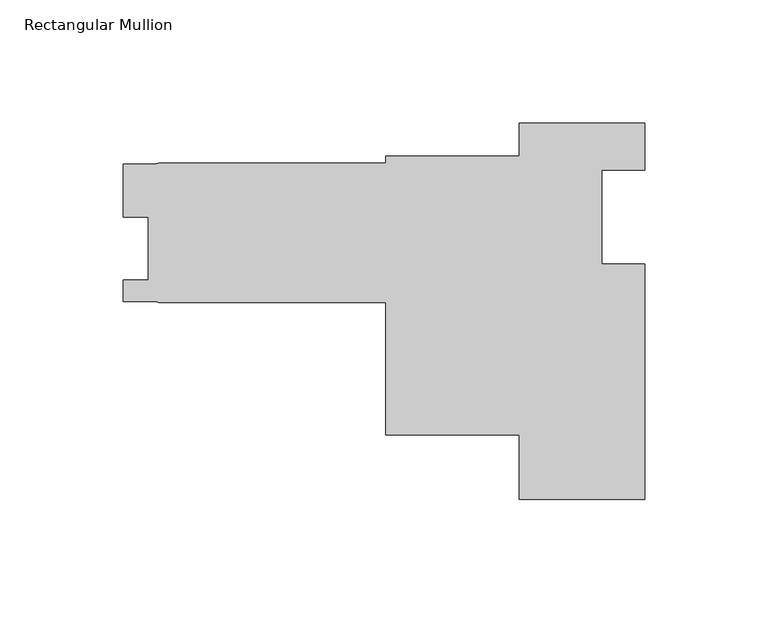
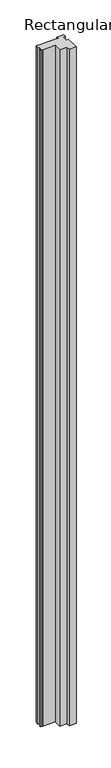
"""IFC4 building model written with IfcOpenShell, lengths in millimetres: member geometry, Rectangular Mullion."""

import ifcopenshell
import ifcopenshell.guid

model = None  # the IFC model being written
_history = None  # IfcOwnerHistory: only IFC2X3 demands one
_inside = {}  # id of a spatial element -> (the spatial element, [elements in it])
_under = {}  # id of a project, library or spatial element -> (it, [spatial elements below it])
_declared = {}  # id of a project -> (the project, [libraries it declares])
_typed = {}  # id of a type object -> (the type object, [elements of that type])
_made_of = {}  # id of a material, layer set ... -> (it, [elements and type objects made of it])


def new_model(schema):
    """Start an empty IFC model of exactly this schema.

    Asked for "IFC4X3", IfcOpenShell would pick the latest addendum, in which some entities
    have other attributes; the version numbers below select the first issue.
    IFC2X3 requires an IfcOwnerHistory on every rooted entity: one is made here for all.
    """
    global model, _history
    if schema == "IFC4X3":
        model = ifcopenshell.file(schema_version=(4, 3, 0, 0))
    else:
        model = ifcopenshell.file(schema=schema)
    _inside.clear()
    _under.clear()
    _declared.clear()
    _typed.clear()
    _made_of.clear()
    _history = None
    if model.schema == "IFC2X3":
        org = make("IfcOrganization", Name="unknown")
        user = make(
            "IfcPersonAndOrganization",
            ThePerson=make("IfcPerson", FamilyName="unknown"),
            TheOrganization=org,
        )
        app = make(
            "IfcApplication",
            ApplicationDeveloper=org,
            Version="unknown",
            ApplicationFullName="unknown",
            ApplicationIdentifier="unknown",
        )
        _history = make(
            "IfcOwnerHistory",
            OwningUser=user,
            OwningApplication=app,
            ChangeAction="ADDED",
            CreationDate=0,
        )
    return model


def make(cls, **values):
    """One entity of the class cls with the attributes given. An attribute that is None is left unset."""
    return model.create_entity(
        cls, **{name: value for name, value in values.items() if value is not None}
    )


def rooted(cls, **values):
    """An entity with a GlobalId (a new one), such as an element, a storey or a relation."""
    return make(cls, GlobalId=ifcopenshell.guid.new(), OwnerHistory=_history, **values)


def si_unit(unit_type, name, prefix=None):
    """IfcSIUnit, for example si_unit("LENGTHUNIT", "METRE", prefix="MILLI")."""
    return make("IfcSIUnit", UnitType=unit_type, Prefix=prefix, Name=name)


def assignment(units):
    """IfcUnitAssignment: the units of a project."""
    return None if units is None else make("IfcUnitAssignment", Units=units)


def point(xyz):
    """IfcCartesianPoint."""
    return None if xyz is None else make("IfcCartesianPoint", Coordinates=xyz)


def direction(xyz):
    """IfcDirection."""
    return None if xyz is None else make("IfcDirection", DirectionRatios=xyz)


def frame(location, z_axis=None, x_axis=None):
    """IfcAxis2Placement3D, a coordinate frame: its origin and axes. An axis left out is left unset."""
    return make(
        "IfcAxis2Placement3D",
        Location=point(location),
        Axis=direction(z_axis),
        RefDirection=direction(x_axis),
    )


def origin():
    """The frame at (0, 0, 0) with its axes left unset."""
    return frame((0.0, 0.0, 0.0))


def place(relative_to, where):
    """IfcLocalPlacement: puts the frame where relative to a parent placement (None: the world)."""
    return make(
        "IfcLocalPlacement", PlacementRelTo=relative_to, RelativePlacement=where
    )


def context(
    kind, dimensions, precision=None, world=None, true_north=None, identifier=None
):
    """IfcGeometricRepresentationContext, for example the 3D "Model" context."""
    return make(
        "IfcGeometricRepresentationContext",
        ContextIdentifier=identifier,
        ContextType=kind,
        CoordinateSpaceDimension=dimensions,
        Precision=precision,
        WorldCoordinateSystem=world,
        TrueNorth=true_north,
    )


def project(units=None, contexts=None):
    """IfcProject with its units and contexts."""
    return rooted(
        "IfcProject",
        Name="project",
        RepresentationContexts=contexts,
        UnitsInContext=assignment(units),
    )


def spatial(cls, under=None, at=None, **own):
    """A site, building, storey or space (cls), placed at a placement, below another one or the project."""
    s = rooted(cls, ObjectPlacement=at, **own)
    if under is not None:
        _under.setdefault(under.id(), (under, []))[1].append(s)
    return s


def polyline(points):
    """IfcPolyline through the points."""
    return make("IfcPolyline", Points=[point(p) for p in points])


def outline(outer, holes=None, kind="AREA"):
    """IfcArbitraryClosedProfileDef: a profile drawn as a closed curve; with holes, ...WithVoids."""
    if holes is None:
        return make("IfcArbitraryClosedProfileDef", ProfileType=kind, OuterCurve=outer)
    return make(
        "IfcArbitraryProfileDefWithVoids",
        ProfileType=kind,
        OuterCurve=outer,
        InnerCurves=holes,
    )


def extrude(swept, where, along, depth):
    """IfcExtrudedAreaSolid: the profile swept, set in the frame where, extruded along a direction by depth."""
    return make(
        "IfcExtrudedAreaSolid",
        SweptArea=swept,
        Position=where,
        ExtrudedDirection=direction(along),
        Depth=depth,
    )


def shape(context_of_items, identifier, shape_type, items):
    """IfcShapeRepresentation: the items that make up one representation, for example the "Body"."""
    return make(
        "IfcShapeRepresentation",
        ContextOfItems=context_of_items,
        RepresentationIdentifier=identifier,
        RepresentationType=shape_type,
        Items=items,
    )


def source(mapping_origin, context_of_items, identifier, shape_type, items):
    """IfcRepresentationMap: a shape defined once, which mapped items show again and again."""
    return make(
        "IfcRepresentationMap",
        MappingOrigin=mapping_origin,
        MappedRepresentation=shape(context_of_items, identifier, shape_type, items),
    )


def transform(
    local_origin,
    x_axis=None,
    y_axis=None,
    z_axis=None,
    scale=None,
    scale2=None,
    scale3=None,
    uniform=True,
):
    """IfcCartesianTransformationOperator3D, or its non-uniform kind. x_axis, y_axis, z_axis: its Axis1, 2, 3."""
    if uniform:
        return make(
            "IfcCartesianTransformationOperator3D",
            Axis1=direction(x_axis),
            Axis2=direction(y_axis),
            LocalOrigin=point(local_origin),
            Scale=scale,
            Axis3=direction(z_axis),
        )
    return make(
        "IfcCartesianTransformationOperator3DnonUniform",
        Axis1=direction(x_axis),
        Axis2=direction(y_axis),
        LocalOrigin=point(local_origin),
        Scale=scale,
        Axis3=direction(z_axis),
        Scale2=scale2,
        Scale3=scale3,
    )


def mapped(mapping_source, mapping_target):
    """IfcMappedItem: shows the shape of a source again, moved by a transform."""
    return make(
        "IfcMappedItem", MappingSource=mapping_source, MappingTarget=mapping_target
    )


def made_of(thing, what):
    """Note that an element or type object is made of a material, layer set ...; save() writes the relation."""
    if what is not None:
        _made_of.setdefault(what.id(), (what, []))[1].append(thing)
    return thing


def element(
    cls,
    number,
    at=None,
    inside=None,
    cuts=None,
    type_object=None,
    material=None,
    context=None,
    identifier="Body",
    shape_type=None,
    held_by="IfcProductDefinitionShape",
    body=None,
    shapes=None,
    **own,
):
    """One element of the class cls, such as IfcWall. Its Tag is "e" and its number.

    at: its placement. inside: the storey or other place that contains it. cuts: it is an
    opening in that element (IfcRelVoidsElement). A single representation is given by context,
    identifier, shape_type and body (its items); several are given by shapes. held_by: the class
    of the entity that holds the representations. save() writes the other relations.
    """
    e = rooted(cls, Tag="e%d" % number, ObjectPlacement=at, **own)
    if body is not None:
        shapes = [shape(context, identifier, shape_type, body)]
    if shapes is not None:
        e.Representation = make(held_by, Representations=shapes)
    if inside is not None:
        _inside.setdefault(inside.id(), (inside, []))[1].append(e)
    if cuts is not None:
        rooted(
            "IfcRelVoidsElement", RelatingBuildingElement=cuts, RelatedOpeningElement=e
        )
    if type_object is not None:
        _typed.setdefault(type_object.id(), (type_object, []))[1].append(e)
    return made_of(e, material)


def aggregate(whole, parts):
    """IfcRelAggregates: a whole, such as a stair, and the parts it consists of."""
    return rooted("IfcRelAggregates", RelatingObject=whole, RelatedObjects=parts)


def save(model, path):
    """Write the relations noted so far, then the file.

    IfcRelAggregates (storeys below a building ...), IfcRelContainedInSpatialStructure (elements
    in a storey), IfcRelDefinesByType, IfcRelAssociatesMaterial and IfcRelDeclares: one each for
    every whole, place, type object, material and project.
    """
    for whole, parts in _under.values():
        aggregate(whole, parts)
    for where, things in _inside.values():
        rooted(
            "IfcRelContainedInSpatialStructure",
            RelatedElements=things,
            RelatingStructure=where,
        )
    for kind, things in _typed.values():
        rooted("IfcRelDefinesByType", RelatedObjects=things, RelatingType=kind)
    for what, things in _made_of.values():
        rooted("IfcRelAssociatesMaterial", RelatedObjects=things, RelatingMaterial=what)
    for by, libraries in _declared.values():
        rooted("IfcRelDeclares", RelatingContext=by, RelatedDefinitions=libraries)
    model.write(path)


def rectangular_mullion_67d04ba3(model_context):
    return source(origin(), model_context, "Body", "SweptSolid", [
        extrude(outline(polyline([(-171.4627, -16.1798), (-79.375, -16.1798), (-79.375, -13.3096), (-25.4, -13.3096), (-25.4, 0.0), (25.4, 0.0), (25.4, -19.05), (7.95, -19.05), (7.95, -57.1500019), (25.4, -57.1500019), (25.4, -152.4), (-25.4, -152.4), (-25.4, -126.3904), (-79.375, -126.3904), (-79.375, -72.6694), (-171.4627, -72.6694), (-172.8857789, -72.1514416), (-185.7502, -72.20585), (-185.7502, -63.46825), (-175.7045, -63.46825), (-175.7045, -38.06825), (-185.7374998, -38.06825), (-185.7374998, -16.6369999), (-173.2964286, -16.6369999), (-171.4627, -16.1798)])), frame((0.0, 0.0, -5203.9276707), z_axis=(0.0, 0.0, 1.0), x_axis=(1.0, 0.0, 0.0)), (0.0, 0.0, 1.0), 5203.9276707),
    ])


if __name__ == "__main__":
    model = new_model("IFC4")
    model_context = context("Model", 3, world=origin())
    ifc_project = project(units=[si_unit("LENGTHUNIT", "METRE", prefix="MILLI")], contexts=[model_context])
    site = spatial("IfcSite", under=ifc_project)
    building = spatial("IfcBuilding", under=site)
    placement = place(None, origin())
    rectangular_mullion_shape = rectangular_mullion_67d04ba3(model_context)
    element("IfcMember", 1, ObjectType="Rectangular Mullion", at=placement, inside=building, context=model_context, shape_type="MappedRepresentation", body=[
        mapped(rectangular_mullion_shape, transform((0.0, 0.0, 0.0), x_axis=(1.0, 0.0, 0.0), y_axis=(0.0, 1.0, 0.0), z_axis=(0.0, 0.0, 1.0))),
    ])
    save(model, "model.ifc")
